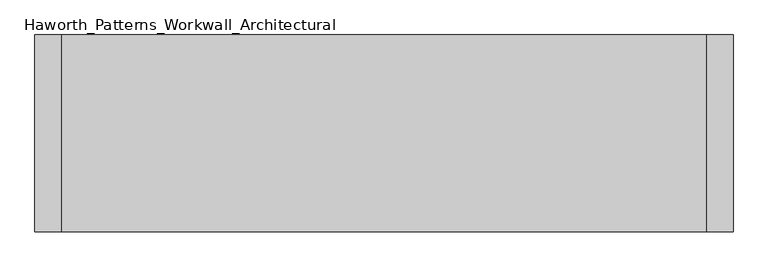
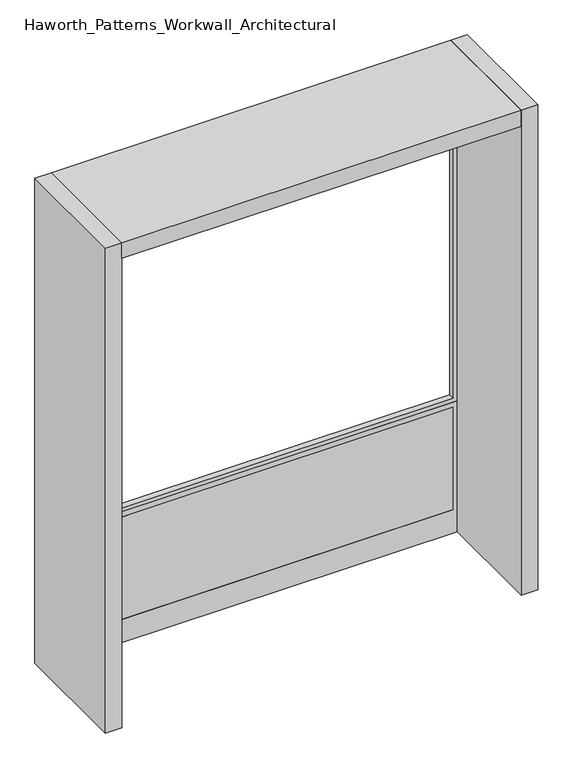
"""IFC4 building model written with IfcOpenShell, lengths in millimetres: furniture geometry, Haworth_Patterns_Workwall_Architectural."""

from ifc_helpers import new_model, si_unit, frame, origin, origin_with_axes, place, context, project, spatial, polyline, outline, extrude, source, transform, mapped, element, save


def haworth_patterns_workwall_architectural_82c67a48(model_context):
    return source(origin(), model_context, "Body", "SweptSolid", [
        extrude(outline(polyline([(2273.3, 304.8), (2273.3, -1524.0), (635.0, -1524.0), (635.0, 304.8), (2273.3, 304.8)]), holes=[polyline([(2254.25, 285.75), (654.05, 285.75), (654.05, -1504.95), (2254.25, -1504.95), (2254.25, 285.75)])]), frame((0.0, 330.2, 0.0), z_axis=(0.0, 1.0, 0.0), x_axis=(0.0, 0.0, 1.0)), (0.0, 0.0, 1.0), 25.4),
        extrude(outline(polyline([(285.75, 330.2), (-1504.95, 330.2), (-1504.95, 355.6), (285.75, 355.6), (285.75, 330.2)])), frame((0.0, 0.0, 114.3), z_axis=(0.0, 0.0, 1.0), x_axis=(1.0, 0.0, 0.0)), (0.0, 0.0, 1.0), 495.3),
        extrude(outline(polyline([(635.0, 304.8), (635.0, -1524.0), (0.0, -1524.0), (0.0, 304.8), (635.0, 304.8)]), holes=[polyline([(609.6, 285.75), (114.3, 285.75), (114.3, -1504.95), (609.6, -1504.95), (609.6, 285.75)])]), frame((0.0, 330.2, 0.0), z_axis=(0.0, 1.0, 0.0), x_axis=(0.0, 0.0, 1.0)), (0.0, 0.0, 1.0), 25.4),
        extrude(outline(polyline([(304.8, -177.8), (-1524.0, -177.8), (-1524.0, 381.0), (304.8, 381.0), (304.8, -177.8)])), frame((0.0, 0.0, 2273.3), z_axis=(0.0, 0.0, 1.0), x_axis=(1.0, 0.0, 0.0)), (0.0, 0.0, 1.0), 76.2),
        extrude(outline(polyline([(381.0, 381.0), (381.0, -177.8), (304.8, -177.8), (304.8, 381.0), (381.0, 381.0)])), origin_with_axes(), (0.0, 0.0, 1.0), 2349.5),
        extrude(outline(polyline([(-1524.0, 381.0), (-1524.0, -177.8), (-1600.2, -177.8), (-1600.2, 381.0), (-1524.0, 381.0)])), origin_with_axes(), (0.0, 0.0, 1.0), 2349.5),
    ])


if __name__ == "__main__":
    model = new_model("IFC4")
    model_context = context("Model", 3, world=origin())
    ifc_project = project(units=[si_unit("LENGTHUNIT", "METRE", prefix="MILLI")], contexts=[model_context])
    site = spatial("IfcSite", under=ifc_project)
    building = spatial("IfcBuilding", under=site)
    placement = place(None, origin())
    haworth_patterns_workwall_architectural_shape = haworth_patterns_workwall_architectural_82c67a48(model_context)
    element("IfcFurniture", 1, ObjectType="Haworth_Patterns_Workwall_Architectural", at=placement, inside=building, context=model_context, shape_type="MappedRepresentation", body=[
        mapped(haworth_patterns_workwall_architectural_shape, transform((0.0, 0.0, 0.0), x_axis=(1.0, 0.0, 0.0), y_axis=(0.0, 1.0, 0.0), z_axis=(0.0, 0.0, 1.0))),
    ])
    save(model, "model.ifc")
